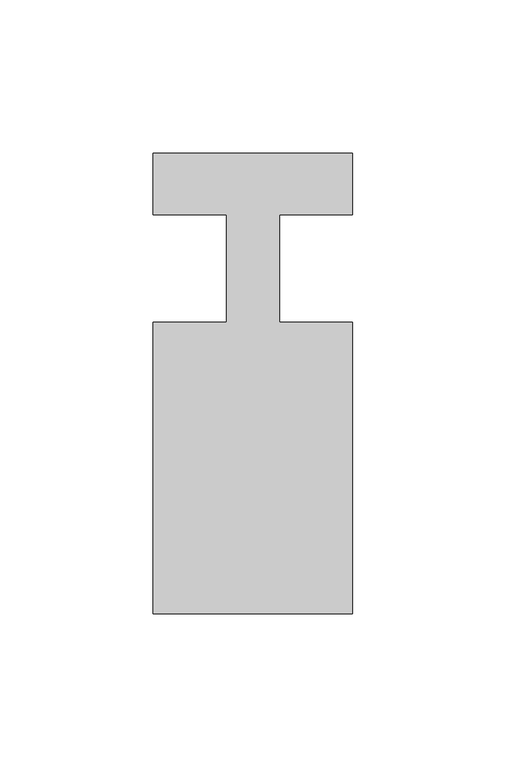
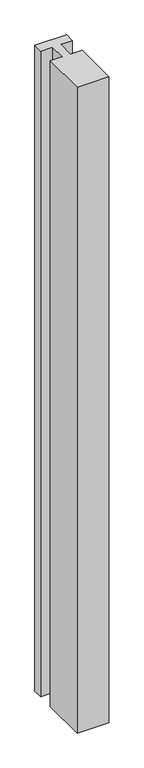
"""IFC4 building model written with IfcOpenShell, lengths in millimetres: member geometry."""

import ifcopenshell
import ifcopenshell.guid

model = None  # the IFC model being written
_history = None  # IfcOwnerHistory: only IFC2X3 demands one
_inside = {}  # id of a spatial element -> (the spatial element, [elements in it])
_under = {}  # id of a project, library or spatial element -> (it, [spatial elements below it])
_declared = {}  # id of a project -> (the project, [libraries it declares])
_typed = {}  # id of a type object -> (the type object, [elements of that type])
_made_of = {}  # id of a material, layer set ... -> (it, [elements and type objects made of it])


def new_model(schema):
    """Start an empty IFC model of exactly this schema.

    Asked for "IFC4X3", IfcOpenShell would pick the latest addendum, in which some entities
    have other attributes; the version numbers below select the first issue.
    IFC2X3 requires an IfcOwnerHistory on every rooted entity: one is made here for all.
    """
    global model, _history
    if schema == "IFC4X3":
        model = ifcopenshell.file(schema_version=(4, 3, 0, 0))
    else:
        model = ifcopenshell.file(schema=schema)
    _inside.clear()
    _under.clear()
    _declared.clear()
    _typed.clear()
    _made_of.clear()
    _history = None
    if model.schema == "IFC2X3":
        org = make("IfcOrganization", Name="unknown")
        user = make(
            "IfcPersonAndOrganization",
            ThePerson=make("IfcPerson", FamilyName="unknown"),
            TheOrganization=org,
        )
        app = make(
            "IfcApplication",
            ApplicationDeveloper=org,
            Version="unknown",
            ApplicationFullName="unknown",
            ApplicationIdentifier="unknown",
        )
        _history = make(
            "IfcOwnerHistory",
            OwningUser=user,
            OwningApplication=app,
            ChangeAction="ADDED",
            CreationDate=0,
        )
    return model


def make(cls, **values):
    """One entity of the class cls with the attributes given. An attribute that is None is left unset."""
    return model.create_entity(
        cls, **{name: value for name, value in values.items() if value is not None}
    )


def rooted(cls, **values):
    """An entity with a GlobalId (a new one), such as an element, a storey or a relation."""
    return make(cls, GlobalId=ifcopenshell.guid.new(), OwnerHistory=_history, **values)


def si_unit(unit_type, name, prefix=None):
    """IfcSIUnit, for example si_unit("LENGTHUNIT", "METRE", prefix="MILLI")."""
    return make("IfcSIUnit", UnitType=unit_type, Prefix=prefix, Name=name)


def assignment(units):
    """IfcUnitAssignment: the units of a project."""
    return None if units is None else make("IfcUnitAssignment", Units=units)


def point(xyz):
    """IfcCartesianPoint."""
    return None if xyz is None else make("IfcCartesianPoint", Coordinates=xyz)


def direction(xyz):
    """IfcDirection."""
    return None if xyz is None else make("IfcDirection", DirectionRatios=xyz)


def frame(location, z_axis=None, x_axis=None):
    """IfcAxis2Placement3D, a coordinate frame: its origin and axes. An axis left out is left unset."""
    return make(
        "IfcAxis2Placement3D",
        Location=point(location),
        Axis=direction(z_axis),
        RefDirection=direction(x_axis),
    )


def origin():
    """The frame at (0, 0, 0) with its axes left unset."""
    return frame((0.0, 0.0, 0.0))


def place(relative_to, where):
    """IfcLocalPlacement: puts the frame where relative to a parent placement (None: the world)."""
    return make(
        "IfcLocalPlacement", PlacementRelTo=relative_to, RelativePlacement=where
    )


def context(
    kind, dimensions, precision=None, world=None, true_north=None, identifier=None
):
    """IfcGeometricRepresentationContext, for example the 3D "Model" context."""
    return make(
        "IfcGeometricRepresentationContext",
        ContextIdentifier=identifier,
        ContextType=kind,
        CoordinateSpaceDimension=dimensions,
        Precision=precision,
        WorldCoordinateSystem=world,
        TrueNorth=true_north,
    )


def project(units=None, contexts=None):
    """IfcProject with its units and contexts."""
    return rooted(
        "IfcProject",
        Name="project",
        RepresentationContexts=contexts,
        UnitsInContext=assignment(units),
    )


def spatial(cls, under=None, at=None, **own):
    """A site, building, storey or space (cls), placed at a placement, below another one or the project."""
    s = rooted(cls, ObjectPlacement=at, **own)
    if under is not None:
        _under.setdefault(under.id(), (under, []))[1].append(s)
    return s


def polyline(points):
    """IfcPolyline through the points."""
    return make("IfcPolyline", Points=[point(p) for p in points])


def outline(outer, holes=None, kind="AREA"):
    """IfcArbitraryClosedProfileDef: a profile drawn as a closed curve; with holes, ...WithVoids."""
    if holes is None:
        return make("IfcArbitraryClosedProfileDef", ProfileType=kind, OuterCurve=outer)
    return make(
        "IfcArbitraryProfileDefWithVoids",
        ProfileType=kind,
        OuterCurve=outer,
        InnerCurves=holes,
    )


def extrude(swept, where, along, depth):
    """IfcExtrudedAreaSolid: the profile swept, set in the frame where, extruded along a direction by depth."""
    return make(
        "IfcExtrudedAreaSolid",
        SweptArea=swept,
        Position=where,
        ExtrudedDirection=direction(along),
        Depth=depth,
    )


def shape(context_of_items, identifier, shape_type, items):
    """IfcShapeRepresentation: the items that make up one representation, for example the "Body"."""
    return make(
        "IfcShapeRepresentation",
        ContextOfItems=context_of_items,
        RepresentationIdentifier=identifier,
        RepresentationType=shape_type,
        Items=items,
    )


def source(mapping_origin, context_of_items, identifier, shape_type, items):
    """IfcRepresentationMap: a shape defined once, which mapped items show again and again."""
    return make(
        "IfcRepresentationMap",
        MappingOrigin=mapping_origin,
        MappedRepresentation=shape(context_of_items, identifier, shape_type, items),
    )


def transform(
    local_origin,
    x_axis=None,
    y_axis=None,
    z_axis=None,
    scale=None,
    scale2=None,
    scale3=None,
    uniform=True,
):
    """IfcCartesianTransformationOperator3D, or its non-uniform kind. x_axis, y_axis, z_axis: its Axis1, 2, 3."""
    if uniform:
        return make(
            "IfcCartesianTransformationOperator3D",
            Axis1=direction(x_axis),
            Axis2=direction(y_axis),
            LocalOrigin=point(local_origin),
            Scale=scale,
            Axis3=direction(z_axis),
        )
    return make(
        "IfcCartesianTransformationOperator3DnonUniform",
        Axis1=direction(x_axis),
        Axis2=direction(y_axis),
        LocalOrigin=point(local_origin),
        Scale=scale,
        Axis3=direction(z_axis),
        Scale2=scale2,
        Scale3=scale3,
    )


def mapped(mapping_source, mapping_target):
    """IfcMappedItem: shows the shape of a source again, moved by a transform."""
    return make(
        "IfcMappedItem", MappingSource=mapping_source, MappingTarget=mapping_target
    )


def made_of(thing, what):
    """Note that an element or type object is made of a material, layer set ...; save() writes the relation."""
    if what is not None:
        _made_of.setdefault(what.id(), (what, []))[1].append(thing)
    return thing


def element(
    cls,
    number,
    at=None,
    inside=None,
    cuts=None,
    type_object=None,
    material=None,
    context=None,
    identifier="Body",
    shape_type=None,
    held_by="IfcProductDefinitionShape",
    body=None,
    shapes=None,
    **own,
):
    """One element of the class cls, such as IfcWall. Its Tag is "e" and its number.

    at: its placement. inside: the storey or other place that contains it. cuts: it is an
    opening in that element (IfcRelVoidsElement). A single representation is given by context,
    identifier, shape_type and body (its items); several are given by shapes. held_by: the class
    of the entity that holds the representations. save() writes the other relations.
    """
    e = rooted(cls, Tag="e%d" % number, ObjectPlacement=at, **own)
    if body is not None:
        shapes = [shape(context, identifier, shape_type, body)]
    if shapes is not None:
        e.Representation = make(held_by, Representations=shapes)
    if inside is not None:
        _inside.setdefault(inside.id(), (inside, []))[1].append(e)
    if cuts is not None:
        rooted(
            "IfcRelVoidsElement", RelatingBuildingElement=cuts, RelatedOpeningElement=e
        )
    if type_object is not None:
        _typed.setdefault(type_object.id(), (type_object, []))[1].append(e)
    return made_of(e, material)


def aggregate(whole, parts):
    """IfcRelAggregates: a whole, such as a stair, and the parts it consists of."""
    return rooted("IfcRelAggregates", RelatingObject=whole, RelatedObjects=parts)


def save(model, path):
    """Write the relations noted so far, then the file.

    IfcRelAggregates (storeys below a building ...), IfcRelContainedInSpatialStructure (elements
    in a storey), IfcRelDefinesByType, IfcRelAssociatesMaterial and IfcRelDeclares: one each for
    every whole, place, type object, material and project.
    """
    for whole, parts in _under.values():
        aggregate(whole, parts)
    for where, things in _inside.values():
        rooted(
            "IfcRelContainedInSpatialStructure",
            RelatedElements=things,
            RelatingStructure=where,
        )
    for kind, things in _typed.values():
        rooted("IfcRelDefinesByType", RelatedObjects=things, RelatingType=kind)
    for what, things in _made_of.values():
        rooted("IfcRelAssociatesMaterial", RelatedObjects=things, RelatingMaterial=what)
    for by, libraries in _declared.values():
        rooted("IfcRelDeclares", RelatingContext=by, RelatedDefinitions=libraries)
    model.write(path)


def member_3923b665(model_context):
    return source(origin(), model_context, "Body", "SweptSolid", [
        extrude(outline(polyline([(0.0, 37.0), (0.0, 17.0), (-23.8125, 17.0), (-23.8125, -18.0), (0.0, -18.0), (0.0, -113.0), (-65.0, -113.0), (-65.0, -18.0), (-41.1875, -18.0), (-41.1875, 17.0), (-65.0, 17.0), (-65.0, 37.0), (0.0, 37.0)])), frame((0.0, 0.0, -1399.7115882), z_axis=(0.0, 0.0, 1.0), x_axis=(1.0, 0.0, 0.0)), (0.0, 0.0, 1.0), 1399.7115882),
    ])


if __name__ == "__main__":
    model = new_model("IFC4")
    model_context = context("Model", 3, world=origin())
    ifc_project = project(units=[si_unit("LENGTHUNIT", "METRE", prefix="MILLI")], contexts=[model_context])
    site = spatial("IfcSite", under=ifc_project)
    building = spatial("IfcBuilding", under=site)
    placement = place(None, origin())
    member_shape = member_3923b665(model_context)
    element("IfcMember", 1, at=placement, inside=building, context=model_context, shape_type="MappedRepresentation", body=[
        mapped(member_shape, transform((0.0, 0.0, 0.0), x_axis=(1.0, 0.0, 0.0), y_axis=(0.0, 1.0, 0.0), z_axis=(0.0, 0.0, 1.0))),
    ])
    save(model, "model.ifc")
